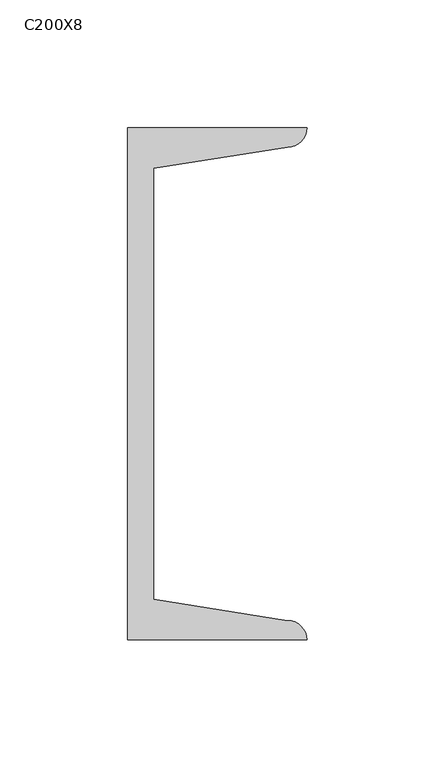
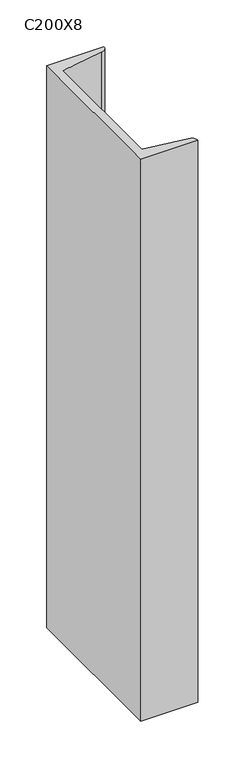
"""IFC4 building model written with IfcOpenShell, lengths in millimetres: column geometry, C200X8."""

from ifc_helpers import new_model, si_unit, point, frame, frame_2d, origin, place, context, project, spatial, polyline, circle_curve, trimmed, segment, composite_curve, outline, extrude, source, transform, mapped, element, save


def c200x8_c2ce7a78(model_context):
    return source(origin(), model_context, "Body", "SweptSolid", [
        extrude(outline(composite_curve([segment(polyline([(5.0, -100.0), (5.0, 100.0), (75.0, 100.0)]), True, "CONTINUOUS"), segment(trimmed(circle_curve(frame_2d((67.5, 100.0)), 7.5), [point((75.0, 100.0))], [point((67.5, 92.5))], False, "CARTESIAN"), True, "CONTINUOUS"), segment(polyline([(67.5, 92.5), (15.0, 84.1848169), (15.0, -84.1848169), (67.5, -92.5)]), True, "CONTINUOUS"), segment(trimmed(circle_curve(frame_2d((67.5, -100.0)), 7.5), [point((67.5, -92.5))], [point((75.0, -100.0))], False, "CARTESIAN"), True, "CONTINUOUS"), segment(polyline([(75.0, -100.0), (5.0, -100.0)]), True, "CONTINUOUS")], self_intersect=False)), frame((0.0, 0.0, 9380.0), z_axis=(0.0, 0.0, 1.0), x_axis=(1.0, 0.0, 0.0)), (0.0, 0.0, 1.0), 730.0),
    ])


if __name__ == "__main__":
    model = new_model("IFC4")
    model_context = context("Model", 3, world=origin())
    ifc_project = project(units=[si_unit("LENGTHUNIT", "METRE", prefix="MILLI")], contexts=[model_context])
    site = spatial("IfcSite", under=ifc_project)
    building = spatial("IfcBuilding", under=site)
    placement = place(None, origin())
    c200x8_shape = c200x8_c2ce7a78(model_context)
    element("IfcColumn", 1, ObjectType="C200X8", at=placement, inside=building, context=model_context, shape_type="MappedRepresentation", body=[
        mapped(c200x8_shape, transform((0.0, 0.0, 0.0), x_axis=(1.0, 0.0, 0.0), y_axis=(0.0, 1.0, 0.0), z_axis=(0.0, 0.0, 1.0))),
    ])
    save(model, "model.ifc")
